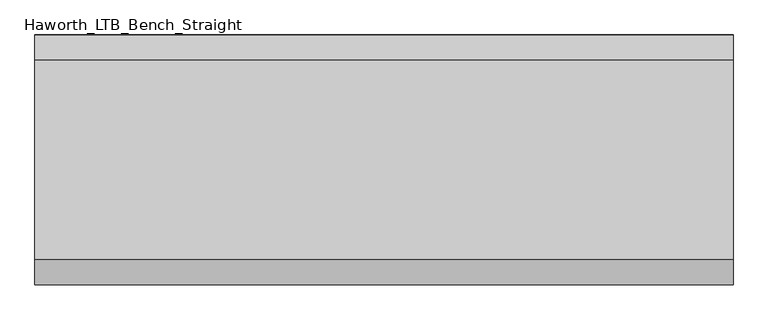
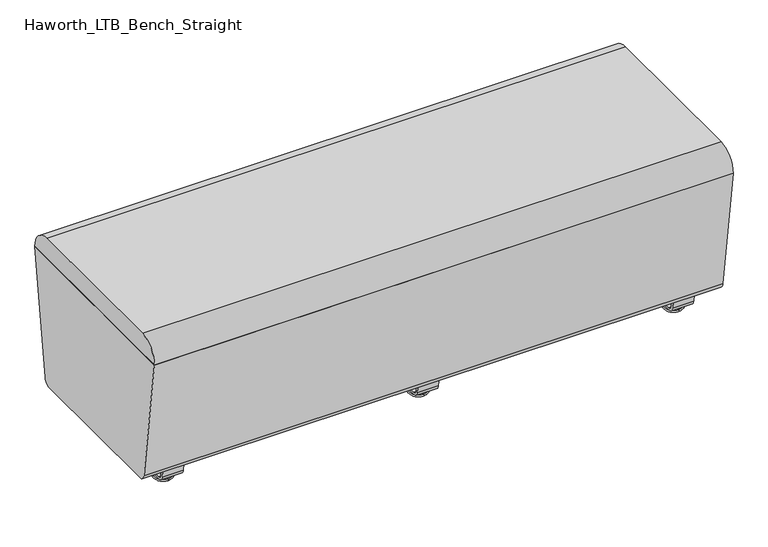
"""IFC4 building model written with IfcOpenShell, lengths in millimetres: furniture geometry, Haworth_LTB_Bench_Straight."""

from ifc_helpers import new_model, si_unit, point, frame, frame_2d, origin, place, context, project, spatial, polyline, circle_curve, ellipse_curve, trimmed, segment, composite_curve, outline, extrude, source, transform, mapped, element, save
from ifc_brep_helpers import plane_surface, cylinder_surface, revolved_surface, advanced_brep


def haworth_ltb_bench_straight_633893b7(model_context):
    return source(origin(), model_context, "Body", "SolidModel", [
        advanced_brep(
        [(0.0, -134.8425052, 7.8133431), (0.0, -150.8355515, 7.8133431), (0.0, -147.6015284, 7.8133431), (0.0, -138.0765284, 7.8133431), (0.0, -120.9001513, 4.0775), (0.0, -164.7779054, 4.0775), (0.0, -121.3107026, 0.0), (0.0, -164.3673542, 0.0), (0.0, -142.8390284, 0.0), (0.0, -138.0765284, 50.0000004), (0.0, -147.6015284, 50.0000004), (0.0, -142.8390284, 50.0000004)],
        [
            (0, 1, circle_curve(frame((0.0, -142.8390284, 7.8133431), z_axis=(0.0, 0.0, 1.0), x_axis=(0.0, -1.0, 0.0)), 7.9965232)),
            (1, 2),
            (2, 3, circle_curve(frame((0.0, -142.8390284, 7.8133431), z_axis=(0.0, 0.0, -1.0), x_axis=(0.0, -1.0, 0.0)), 4.7625)),
            (3, 0),
            (1, 0, circle_curve(frame((0.0, -142.8390284, 7.8133431), z_axis=(0.0, 0.0, 1.0), x_axis=(0.0, -1.0, 0.0)), 7.9965232)),
            (3, 2, circle_curve(frame((0.0, -142.8390284, 7.8133431), z_axis=(0.0, 0.0, -1.0), x_axis=(0.0, -1.0, 0.0)), 4.7625)),
            (4, 5, circle_curve(frame((0.0, -142.8390284, 4.0775), z_axis=(0.0, 0.0, 1.0), x_axis=(0.0, -1.0, 0.0)), 21.9388771)),
            (5, 1),
            (0, 4),
            (5, 4, circle_curve(frame((0.0, -142.8390284, 4.0775), z_axis=(0.0, 0.0, 1.0), x_axis=(0.0, -1.0, 0.0)), 21.9388771)),
            (6, 7, circle_curve(frame((0.0, -142.8390284, 0.0), z_axis=(0.0, 0.0, 1.0), x_axis=(0.0, -1.0, 0.0)), 21.5283258)),
            (7, 5, circle_curve(frame((0.0, -164.2405822, 2.0721829), z_axis=(-1.0, 0.0, 0.0), x_axis=(0.0, 1.0, 0.0)), 2.0760571)),
            (4, 6, circle_curve(frame((0.0, -121.4374745, 2.0721829), z_axis=(-1.0, 0.0, 0.0), x_axis=(0.0, -1.0, 0.0)), 2.0760571)),
            (7, 6, circle_curve(frame((0.0, -142.8390284, 0.0), z_axis=(0.0, 0.0, 1.0), x_axis=(0.0, -1.0, 0.0)), 21.5283258)),
            (8, 7),
            (6, 8),
            (9, 10, circle_curve(frame((0.0, -142.8390284, 50.0000004), z_axis=(0.0, 0.0, 1.0), x_axis=(0.0, -1.0, 0.0)), 4.7625)),
            (10, 11),
            (11, 9),
            (10, 9, circle_curve(frame((0.0, -142.8390284, 50.0000004), z_axis=(0.0, 0.0, 1.0), x_axis=(0.0, -1.0, 0.0)), 4.7625)),
            (2, 10),
            (9, 3),
        ],
        [
            plane_surface(frame((0.0, -142.8390284, 7.8133431), z_axis=(0.0, 0.0, 1.0), x_axis=(0.0, -1.0, 0.0))),
            revolved_surface(polyline([(0.0, -150.8355515, 7.8133431), (0.0, -164.7779054, 4.0775)]), (0.0, -142.8390284, 0.0), (0.0, 0.0, -1.0)),
            revolved_surface(trimmed(ellipse_curve(frame((0.0, -164.2405822, 2.0721829), z_axis=(1.0, 0.0, 0.0), x_axis=(0.0, 1.0, 0.0)), 2.0760571, 2.0760571), [point((0.0, -164.7779054, 4.0775))], [point((0.0, -164.3673542, 0.0))], True, "CARTESIAN"), (0.0, -142.8390284, 0.0), (0.0, 0.0, -1.0)),
            plane_surface(frame((0.0, -142.8390284, 0.0), z_axis=(0.0, 0.0, -1.0), x_axis=(0.0, -1.0, 0.0))),
            plane_surface(frame((0.0, -142.8390284, 50.0000004), z_axis=(0.0, 0.0, 1.0), x_axis=(0.0, -1.0, 0.0))),
            cylinder_surface(frame((0.0, -142.8390284, 0.0), z_axis=(0.0, 0.0, -1.0), x_axis=(0.0, -1.0, 0.0)), 4.7625),
        ],
        [
            (0, [[1, 2, 3, 4]]),
            (0, [[5, -4, 6, -2]]),
            (1, [[7, 8, -1, 9]]),
            (1, [[10, -9, -5, -8]]),
            (2, [[11, 12, -7, 13]]),
            (2, [[14, -13, -10, -12]]),
            (3, [[15, -11, 16]]),
            (3, [[-16, -14, -15]]),
            (4, [[17, 18, 19]]),
            (4, [[20, -19, -18]]),
            (5, [[-3, 21, -17, 22]]),
            (5, [[-6, -22, -20, -21]]),
        ],
    ),
        advanced_brep(
        [(0.0, 138.0765284, 7.8133431), (0.0, 147.6015284, 7.8133431), (0.0, 150.8355515, 7.8133431), (0.0, 134.8425052, 7.8133431), (0.0, 164.7779054, 4.0775), (0.0, 120.9001513, 4.0775), (0.0, 164.3673542, 0.0), (0.0, 121.3107026, 0.0), (0.0, 142.8390284, 0.0), (0.0, 142.8390284, 50.0000004), (0.0, 147.6015284, 50.0000004), (0.0, 138.0765284, 50.0000004)],
        [
            (0, 1, circle_curve(frame((0.0, 142.8390284, 7.8133431), z_axis=(0.0, 0.0, -1.0), x_axis=(0.0, 1.0, 0.0)), 4.7625)),
            (1, 2),
            (2, 3, circle_curve(frame((0.0, 142.8390284, 7.8133431), z_axis=(0.0, 0.0, 1.0), x_axis=(0.0, 1.0, 0.0)), 7.9965232)),
            (3, 0),
            (1, 0, circle_curve(frame((0.0, 142.8390284, 7.8133431), z_axis=(0.0, 0.0, -1.0), x_axis=(0.0, 1.0, 0.0)), 4.7625)),
            (3, 2, circle_curve(frame((0.0, 142.8390284, 7.8133431), z_axis=(0.0, 0.0, 1.0), x_axis=(0.0, 1.0, 0.0)), 7.9965232)),
            (2, 4),
            (4, 5, circle_curve(frame((0.0, 142.8390284, 4.0775), z_axis=(0.0, 0.0, 1.0), x_axis=(0.0, 1.0, 0.0)), 21.9388771)),
            (5, 3),
            (5, 4, circle_curve(frame((0.0, 142.8390284, 4.0775), z_axis=(0.0, 0.0, 1.0), x_axis=(0.0, 1.0, 0.0)), 21.9388771)),
            (4, 6, circle_curve(frame((0.0, 164.2405822, 2.0721829), z_axis=(-1.0, 0.0, 0.0), x_axis=(0.0, -1.0, 0.0)), 2.0760571)),
            (6, 7, circle_curve(frame((0.0, 142.8390284, 0.0), z_axis=(0.0, 0.0, 1.0), x_axis=(0.0, 1.0, 0.0)), 21.5283258)),
            (7, 5, circle_curve(frame((0.0, 121.4374745, 2.0721829), z_axis=(-1.0, 0.0, 0.0), x_axis=(0.0, 1.0, 0.0)), 2.0760571)),
            (7, 6, circle_curve(frame((0.0, 142.8390284, 0.0), z_axis=(0.0, 0.0, 1.0), x_axis=(0.0, 1.0, 0.0)), 21.5283258)),
            (6, 8),
            (8, 7),
            (9, 10),
            (10, 11, circle_curve(frame((0.0, 142.8390284, 50.0000004), z_axis=(0.0, 0.0, 1.0), x_axis=(0.0, 1.0, 0.0)), 4.7625)),
            (11, 9),
            (11, 10, circle_curve(frame((0.0, 142.8390284, 50.0000004), z_axis=(0.0, 0.0, 1.0), x_axis=(0.0, 1.0, 0.0)), 4.7625)),
            (10, 1),
            (0, 11),
        ],
        [
            plane_surface(frame((0.0, 142.8390284, 7.8133431), z_axis=(0.0, 0.0, 1.0), x_axis=(0.0, 1.0, 0.0))),
            revolved_surface(polyline([(0.0, 164.7779054, 4.0775), (0.0, 150.8355515, 7.8133431)]), (0.0, 142.8390284, 0.0), (0.0, 0.0, 1.0)),
            revolved_surface(trimmed(ellipse_curve(frame((0.0, 164.2405822, 2.0721829), z_axis=(1.0, 0.0, 0.0), x_axis=(0.0, -1.0, 0.0)), 2.0760571, 2.0760571), [point((0.0, 164.3673542, 0.0))], [point((0.0, 164.7779054, 4.0775))], True, "CARTESIAN"), (0.0, 142.8390284, 0.0), (0.0, 0.0, 1.0)),
            plane_surface(frame((0.0, 142.8390284, 0.0), z_axis=(0.0, 0.0, -1.0), x_axis=(0.0, 1.0, 0.0))),
            plane_surface(frame((0.0, 142.8390284, 50.0000004), z_axis=(0.0, 0.0, 1.0), x_axis=(0.0, 1.0, 0.0))),
            cylinder_surface(frame((0.0, 142.8390284, 0.0), z_axis=(0.0, 0.0, 1.0), x_axis=(0.0, 1.0, 0.0)), 4.7625),
        ],
        [
            (0, [[1, 2, 3, 4]]),
            (0, [[5, -4, 6, -2]]),
            (1, [[-3, 7, 8, 9]]),
            (1, [[-6, -9, 10, -7]]),
            (2, [[-8, 11, 12, 13]]),
            (2, [[-10, -13, 14, -11]]),
            (3, [[-12, 15, 16]]),
            (3, [[-14, -16, -15]]),
            (4, [[17, 18, 19]]),
            (4, [[-19, 20, -17]]),
            (5, [[-18, 21, -1, 22]]),
            (5, [[-20, -22, -5, -21]]),
        ],
    ),
        extrude(outline(composite_curve([segment(polyline([(188.6158944, 62.9950557), (183.6853496, 27.9124042)]), True, "CONTINUOUS"), segment(trimmed(circle_curve(frame_2d((168.8313276, 30.0000007)), 15.000001), [point((183.6853496, 27.9124042))], [point((168.8313276, 14.9999997))], False, "CARTESIAN"), True, "CONTINUOUS"), segment(polyline([(168.8313276, 14.9999997), (-168.8313276, 14.9999997)]), True, "CONTINUOUS"), segment(trimmed(circle_curve(frame_2d((-168.8313276, 30.0000007)), 15.000001), [point((-168.8313276, 14.9999997))], [point((-183.6853496, 27.9124042))], False, "CARTESIAN"), True, "CONTINUOUS"), segment(polyline([(-183.6853496, 27.9124042), (-188.6158944, 62.9950557), (-182.9812615, 63.7869505), (-178.0507241, 28.7043023)]), True, "CONTINUOUS"), segment(trimmed(circle_curve(frame_2d((-168.8313262, 30.0000023)), 9.310002), [point((-178.0507241, 28.7043023))], [point((-168.8313262, 20.6900003))], True, "CARTESIAN"), True, "CONTINUOUS"), segment(polyline([(-168.8313262, 20.6900003), (168.8313262, 20.6900003)]), True, "CONTINUOUS"), segment(trimmed(circle_curve(frame_2d((168.8313262, 30.0000023)), 9.310002), [point((168.8313262, 20.6900003))], [point((178.0507241, 28.7043023))], True, "CARTESIAN"), True, "CONTINUOUS"), segment(polyline([(178.0507241, 28.7043023), (182.9812615, 63.7869505), (188.6158944, 62.9950557)]), True, "CONTINUOUS")], self_intersect=False)), frame((-25.4, 0.0, 0.0), z_axis=(1.0, 0.0, 0.0), x_axis=(0.0, 1.0, 0.0)), (0.0, 0.0, 1.0), 50.8),
        advanced_brep(
        [(616.0045358, -134.8425052, 7.8133431), (616.0045358, -150.8355515, 7.8133431), (616.0045358, -147.6015284, 7.8133431), (616.0045358, -138.0765284, 7.8133431), (616.0045358, -120.9001513, 4.0775), (616.0045358, -164.7779054, 4.0775), (616.0045358, -121.3107026, 0.0), (616.0045358, -164.3673542, 0.0), (616.0045358, -142.8390284, 0.0), (616.0045358, -138.0765284, 50.0000004), (616.0045358, -147.6015284, 50.0000004), (616.0045358, -142.8390284, 50.0000004)],
        [
            (0, 1, circle_curve(frame((616.0045358, -142.8390284, 7.8133431), z_axis=(0.0, 0.0, 1.0), x_axis=(0.0, -1.0, 0.0)), 7.9965232)),
            (1, 2),
            (2, 3, circle_curve(frame((616.0045358, -142.8390284, 7.8133431), z_axis=(0.0, 0.0, -1.0), x_axis=(0.0, -1.0, 0.0)), 4.7625)),
            (3, 0),
            (1, 0, circle_curve(frame((616.0045358, -142.8390284, 7.8133431), z_axis=(0.0, 0.0, 1.0), x_axis=(0.0, -1.0, 0.0)), 7.9965232)),
            (3, 2, circle_curve(frame((616.0045358, -142.8390284, 7.8133431), z_axis=(0.0, 0.0, -1.0), x_axis=(0.0, -1.0, 0.0)), 4.7625)),
            (4, 5, circle_curve(frame((616.0045358, -142.8390284, 4.0775), z_axis=(0.0, 0.0, 1.0), x_axis=(0.0, -1.0, 0.0)), 21.9388771)),
            (5, 1),
            (0, 4),
            (5, 4, circle_curve(frame((616.0045358, -142.8390284, 4.0775), z_axis=(0.0, 0.0, 1.0), x_axis=(0.0, -1.0, 0.0)), 21.9388771)),
            (6, 7, circle_curve(frame((616.0045358, -142.8390284, 0.0), z_axis=(0.0, 0.0, 1.0), x_axis=(0.0, -1.0, 0.0)), 21.5283258)),
            (7, 5, circle_curve(frame((616.0045358, -164.2405822, 2.0721829), z_axis=(-1.0, 0.0, 0.0), x_axis=(0.0, 1.0, 0.0)), 2.0760571)),
            (4, 6, circle_curve(frame((616.0045358, -121.4374745, 2.0721829), z_axis=(-1.0, 0.0, 0.0), x_axis=(0.0, -1.0, 0.0)), 2.0760571)),
            (7, 6, circle_curve(frame((616.0045358, -142.8390284, 0.0), z_axis=(0.0, 0.0, 1.0), x_axis=(0.0, -1.0, 0.0)), 21.5283258)),
            (8, 7),
            (6, 8),
            (9, 10, circle_curve(frame((616.0045358, -142.8390284, 50.0000004), z_axis=(0.0, 0.0, 1.0), x_axis=(0.0, -1.0, 0.0)), 4.7625)),
            (10, 11),
            (11, 9),
            (10, 9, circle_curve(frame((616.0045358, -142.8390284, 50.0000004), z_axis=(0.0, 0.0, 1.0), x_axis=(0.0, -1.0, 0.0)), 4.7625)),
            (2, 10),
            (9, 3),
        ],
        [
            plane_surface(frame((616.0045358, -142.8390284, 7.8133431), z_axis=(0.0, 0.0, 1.0), x_axis=(0.0, -1.0, 0.0))),
            revolved_surface(polyline([(616.0045358, -150.8355515, 7.8133431), (616.0045358, -164.7779054, 4.0775)]), (616.0045358, -142.8390284, 0.0), (0.0, 0.0, -1.0)),
            revolved_surface(trimmed(ellipse_curve(frame((616.0045358, -164.2405822, 2.0721829), z_axis=(1.0, 0.0, 0.0), x_axis=(0.0, 1.0, 0.0)), 2.0760571, 2.0760571), [point((616.0045358, -164.7779054, 4.0775))], [point((616.0045358, -164.3673542, 0.0))], True, "CARTESIAN"), (616.0045358, -142.8390284, 0.0), (0.0, 0.0, -1.0)),
            plane_surface(frame((616.0045358, -142.8390284, 0.0), z_axis=(0.0, 0.0, -1.0), x_axis=(0.0, -1.0, 0.0))),
            plane_surface(frame((616.0045358, -142.8390284, 50.0000004), z_axis=(0.0, 0.0, 1.0), x_axis=(0.0, -1.0, 0.0))),
            cylinder_surface(frame((616.0045358, -142.8390284, 0.0), z_axis=(0.0, 0.0, -1.0), x_axis=(0.0, -1.0, 0.0)), 4.7625),
        ],
        [
            (0, [[1, 2, 3, 4]]),
            (0, [[5, -4, 6, -2]]),
            (1, [[7, 8, -1, 9]]),
            (1, [[10, -9, -5, -8]]),
            (2, [[11, 12, -7, 13]]),
            (2, [[14, -13, -10, -12]]),
            (3, [[15, -11, 16]]),
            (3, [[-16, -14, -15]]),
            (4, [[17, 18, 19]]),
            (4, [[20, -19, -18]]),
            (5, [[-3, 21, -17, 22]]),
            (5, [[-6, -22, -20, -21]]),
        ],
    ),
        advanced_brep(
        [(616.0045358, 138.0765284, 7.8133431), (616.0045358, 147.6015284, 7.8133431), (616.0045358, 150.8355515, 7.8133431), (616.0045358, 134.8425052, 7.8133431), (616.0045358, 164.7779054, 4.0775), (616.0045358, 120.9001513, 4.0775), (616.0045358, 164.3673542, 0.0), (616.0045358, 121.3107026, 0.0), (616.0045358, 142.8390284, 0.0), (616.0045358, 142.8390284, 50.0000004), (616.0045358, 147.6015284, 50.0000004), (616.0045358, 138.0765284, 50.0000004)],
        [
            (0, 1, circle_curve(frame((616.0045358, 142.8390284, 7.8133431), z_axis=(0.0, 0.0, -1.0), x_axis=(0.0, 1.0, 0.0)), 4.7625)),
            (1, 2),
            (2, 3, circle_curve(frame((616.0045358, 142.8390284, 7.8133431), z_axis=(0.0, 0.0, 1.0), x_axis=(0.0, 1.0, 0.0)), 7.9965232)),
            (3, 0),
            (1, 0, circle_curve(frame((616.0045358, 142.8390284, 7.8133431), z_axis=(0.0, 0.0, -1.0), x_axis=(0.0, 1.0, 0.0)), 4.7625)),
            (3, 2, circle_curve(frame((616.0045358, 142.8390284, 7.8133431), z_axis=(0.0, 0.0, 1.0), x_axis=(0.0, 1.0, 0.0)), 7.9965232)),
            (2, 4),
            (4, 5, circle_curve(frame((616.0045358, 142.8390284, 4.0775), z_axis=(0.0, 0.0, 1.0), x_axis=(0.0, 1.0, 0.0)), 21.9388771)),
            (5, 3),
            (5, 4, circle_curve(frame((616.0045358, 142.8390284, 4.0775), z_axis=(0.0, 0.0, 1.0), x_axis=(0.0, 1.0, 0.0)), 21.9388771)),
            (4, 6, circle_curve(frame((616.0045358, 164.2405822, 2.0721829), z_axis=(-1.0, 0.0, 0.0), x_axis=(0.0, -1.0, 0.0)), 2.0760571)),
            (6, 7, circle_curve(frame((616.0045358, 142.8390284, 0.0), z_axis=(0.0, 0.0, 1.0), x_axis=(0.0, 1.0, 0.0)), 21.5283258)),
            (7, 5, circle_curve(frame((616.0045358, 121.4374745, 2.0721829), z_axis=(-1.0, 0.0, 0.0), x_axis=(0.0, 1.0, 0.0)), 2.0760571)),
            (7, 6, circle_curve(frame((616.0045358, 142.8390284, 0.0), z_axis=(0.0, 0.0, 1.0), x_axis=(0.0, 1.0, 0.0)), 21.5283258)),
            (6, 8),
            (8, 7),
            (9, 10),
            (10, 11, circle_curve(frame((616.0045358, 142.8390284, 50.0000004), z_axis=(0.0, 0.0, 1.0), x_axis=(0.0, 1.0, 0.0)), 4.7625)),
            (11, 9),
            (11, 10, circle_curve(frame((616.0045358, 142.8390284, 50.0000004), z_axis=(0.0, 0.0, 1.0), x_axis=(0.0, 1.0, 0.0)), 4.7625)),
            (10, 1),
            (0, 11),
        ],
        [
            plane_surface(frame((616.0045358, 142.8390284, 7.8133431), z_axis=(0.0, 0.0, 1.0), x_axis=(0.0, 1.0, 0.0))),
            revolved_surface(polyline([(616.0045358, 164.7779054, 4.0775), (616.0045358, 150.8355515, 7.8133431)]), (616.0045358, 142.8390284, 0.0), (0.0, 0.0, 1.0)),
            revolved_surface(trimmed(ellipse_curve(frame((616.0045358, 164.2405822, 2.0721829), z_axis=(1.0, 0.0, 0.0), x_axis=(0.0, -1.0, 0.0)), 2.0760571, 2.0760571), [point((616.0045358, 164.3673542, 0.0))], [point((616.0045358, 164.7779054, 4.0775))], True, "CARTESIAN"), (616.0045358, 142.8390284, 0.0), (0.0, 0.0, 1.0)),
            plane_surface(frame((616.0045358, 142.8390284, 0.0), z_axis=(0.0, 0.0, -1.0), x_axis=(0.0, 1.0, 0.0))),
            plane_surface(frame((616.0045358, 142.8390284, 50.0000004), z_axis=(0.0, 0.0, 1.0), x_axis=(0.0, 1.0, 0.0))),
            cylinder_surface(frame((616.0045358, 142.8390284, 0.0), z_axis=(0.0, 0.0, 1.0), x_axis=(0.0, 1.0, 0.0)), 4.7625),
        ],
        [
            (0, [[1, 2, 3, 4]]),
            (0, [[5, -4, 6, -2]]),
            (1, [[-3, 7, 8, 9]]),
            (1, [[-6, -9, 10, -7]]),
            (2, [[-8, 11, 12, 13]]),
            (2, [[-10, -13, 14, -11]]),
            (3, [[-12, 15, 16]]),
            (3, [[-14, -16, -15]]),
            (4, [[17, 18, 19]]),
            (4, [[-19, 20, -17]]),
            (5, [[-18, 21, -1, 22]]),
            (5, [[-20, -22, -5, -21]]),
        ],
    ),
        extrude(outline(composite_curve([segment(polyline([(188.6158944, 62.9950557), (183.6853496, 27.9124042)]), True, "CONTINUOUS"), segment(trimmed(circle_curve(frame_2d((168.8313276, 30.0000007)), 15.000001), [point((183.6853496, 27.9124042))], [point((168.8313276, 14.9999997))], False, "CARTESIAN"), True, "CONTINUOUS"), segment(polyline([(168.8313276, 14.9999997), (-168.8313276, 14.9999997)]), True, "CONTINUOUS"), segment(trimmed(circle_curve(frame_2d((-168.8313276, 30.0000007)), 15.000001), [point((-168.8313276, 14.9999997))], [point((-183.6853496, 27.9124042))], False, "CARTESIAN"), True, "CONTINUOUS"), segment(polyline([(-183.6853496, 27.9124042), (-188.6158944, 62.9950557), (-182.9812615, 63.7869505), (-178.0507241, 28.7043023)]), True, "CONTINUOUS"), segment(trimmed(circle_curve(frame_2d((-168.8313262, 30.0000023)), 9.310002), [point((-178.0507241, 28.7043023))], [point((-168.8313262, 20.6900003))], True, "CARTESIAN"), True, "CONTINUOUS"), segment(polyline([(-168.8313262, 20.6900003), (168.8313262, 20.6900003)]), True, "CONTINUOUS"), segment(trimmed(circle_curve(frame_2d((168.8313262, 30.0000023)), 9.310002), [point((168.8313262, 20.6900003))], [point((178.0507241, 28.7043023))], True, "CARTESIAN"), True, "CONTINUOUS"), segment(polyline([(178.0507241, 28.7043023), (182.9812615, 63.7869505), (188.6158944, 62.9950557)]), True, "CONTINUOUS")], self_intersect=False)), frame((590.6045358, 0.0, 0.0), z_axis=(1.0, 0.0, 0.0), x_axis=(0.0, 1.0, 0.0)), (0.0, 0.0, 1.0), 50.8),
        advanced_brep(
        [(-616.0045358, -138.0765284, 7.8133431), (-616.0045358, -147.6015284, 7.8133431), (-616.0045358, -150.8355515, 7.8133431), (-616.0045358, -134.8425052, 7.8133431), (-616.0045358, -164.7779054, 4.0775), (-616.0045358, -120.9001513, 4.0775), (-616.0045358, -164.3673542, 0.0), (-616.0045358, -121.3107026, 0.0), (-616.0045358, -142.8390284, 0.0), (-616.0045358, -142.8390284, 50.0000004), (-616.0045358, -147.6015284, 50.0000004), (-616.0045358, -138.0765284, 50.0000004)],
        [
            (0, 1, circle_curve(frame((-616.0045358, -142.8390284, 7.8133431), z_axis=(0.0, 0.0, -1.0), x_axis=(0.0, -1.0, 0.0)), 4.7625)),
            (1, 2),
            (2, 3, circle_curve(frame((-616.0045358, -142.8390284, 7.8133431), z_axis=(0.0, 0.0, 1.0), x_axis=(0.0, -1.0, 0.0)), 7.9965232)),
            (3, 0),
            (1, 0, circle_curve(frame((-616.0045358, -142.8390284, 7.8133431), z_axis=(0.0, 0.0, -1.0), x_axis=(0.0, -1.0, 0.0)), 4.7625)),
            (3, 2, circle_curve(frame((-616.0045358, -142.8390284, 7.8133431), z_axis=(0.0, 0.0, 1.0), x_axis=(0.0, -1.0, 0.0)), 7.9965232)),
            (2, 4),
            (4, 5, circle_curve(frame((-616.0045358, -142.8390284, 4.0775), z_axis=(0.0, 0.0, 1.0), x_axis=(0.0, -1.0, 0.0)), 21.9388771)),
            (5, 3),
            (5, 4, circle_curve(frame((-616.0045358, -142.8390284, 4.0775), z_axis=(0.0, 0.0, 1.0), x_axis=(0.0, -1.0, 0.0)), 21.9388771)),
            (4, 6, circle_curve(frame((-616.0045358, -164.2405822, 2.0721829), z_axis=(1.0, 0.0, 0.0), x_axis=(0.0, 1.0, 0.0)), 2.0760571)),
            (6, 7, circle_curve(frame((-616.0045358, -142.8390284, 0.0), z_axis=(0.0, 0.0, 1.0), x_axis=(0.0, -1.0, 0.0)), 21.5283258)),
            (7, 5, circle_curve(frame((-616.0045358, -121.4374745, 2.0721829), z_axis=(1.0, 0.0, 0.0), x_axis=(0.0, -1.0, 0.0)), 2.0760571)),
            (7, 6, circle_curve(frame((-616.0045358, -142.8390284, 0.0), z_axis=(0.0, 0.0, 1.0), x_axis=(0.0, -1.0, 0.0)), 21.5283258)),
            (6, 8),
            (8, 7),
            (9, 10),
            (10, 11, circle_curve(frame((-616.0045358, -142.8390284, 50.0000004), z_axis=(0.0, 0.0, 1.0), x_axis=(0.0, -1.0, 0.0)), 4.7625)),
            (11, 9),
            (11, 10, circle_curve(frame((-616.0045358, -142.8390284, 50.0000004), z_axis=(0.0, 0.0, 1.0), x_axis=(0.0, -1.0, 0.0)), 4.7625)),
            (10, 1),
            (0, 11),
        ],
        [
            plane_surface(frame((-616.0045358, -142.8390284, 7.8133431), z_axis=(0.0, 0.0, 1.0), x_axis=(0.0, -1.0, 0.0))),
            revolved_surface(polyline([(-616.0045358, -164.7779054, 4.0775), (-616.0045358, -150.8355515, 7.8133431)]), (-616.0045358, -142.8390284, 0.0), (0.0, 0.0, 1.0)),
            revolved_surface(trimmed(ellipse_curve(frame((-616.0045358, -164.2405822, 2.0721829), z_axis=(-1.0, 0.0, 0.0), x_axis=(0.0, 1.0, 0.0)), 2.0760571, 2.0760571), [point((-616.0045358, -164.3673542, 0.0))], [point((-616.0045358, -164.7779054, 4.0775))], True, "CARTESIAN"), (-616.0045358, -142.8390284, 0.0), (0.0, 0.0, 1.0)),
            plane_surface(frame((-616.0045358, -142.8390284, 0.0), z_axis=(0.0, 0.0, -1.0), x_axis=(0.0, -1.0, 0.0))),
            plane_surface(frame((-616.0045358, -142.8390284, 50.0000004), z_axis=(0.0, 0.0, 1.0), x_axis=(0.0, -1.0, 0.0))),
            cylinder_surface(frame((-616.0045358, -142.8390284, 0.0), z_axis=(0.0, 0.0, 1.0), x_axis=(0.0, -1.0, 0.0)), 4.7625),
        ],
        [
            (0, [[1, 2, 3, 4]]),
            (0, [[5, -4, 6, -2]]),
            (1, [[-3, 7, 8, 9]]),
            (1, [[-6, -9, 10, -7]]),
            (2, [[-8, 11, 12, 13]]),
            (2, [[-10, -13, 14, -11]]),
            (3, [[-12, 15, 16]]),
            (3, [[-14, -16, -15]]),
            (4, [[17, 18, 19]]),
            (4, [[-19, 20, -17]]),
            (5, [[-18, 21, -1, 22]]),
            (5, [[-20, -22, -5, -21]]),
        ],
    ),
        advanced_brep(
        [(-616.0045358, 134.8425052, 7.8133431), (-616.0045358, 150.8355515, 7.8133431), (-616.0045358, 147.6015284, 7.8133431), (-616.0045358, 138.0765284, 7.8133431), (-616.0045358, 120.9001513, 4.0775), (-616.0045358, 164.7779054, 4.0775), (-616.0045358, 121.3107026, 0.0), (-616.0045358, 164.3673542, 0.0), (-616.0045358, 142.8390284, 0.0), (-616.0045358, 138.0765284, 50.0000004), (-616.0045358, 147.6015284, 50.0000004), (-616.0045358, 142.8390284, 50.0000004)],
        [
            (0, 1, circle_curve(frame((-616.0045358, 142.8390284, 7.8133431), z_axis=(0.0, 0.0, 1.0), x_axis=(0.0, 1.0, 0.0)), 7.9965232)),
            (1, 2),
            (2, 3, circle_curve(frame((-616.0045358, 142.8390284, 7.8133431), z_axis=(0.0, 0.0, -1.0), x_axis=(0.0, 1.0, 0.0)), 4.7625)),
            (3, 0),
            (1, 0, circle_curve(frame((-616.0045358, 142.8390284, 7.8133431), z_axis=(0.0, 0.0, 1.0), x_axis=(0.0, 1.0, 0.0)), 7.9965232)),
            (3, 2, circle_curve(frame((-616.0045358, 142.8390284, 7.8133431), z_axis=(0.0, 0.0, -1.0), x_axis=(0.0, 1.0, 0.0)), 4.7625)),
            (4, 5, circle_curve(frame((-616.0045358, 142.8390284, 4.0775), z_axis=(0.0, 0.0, 1.0), x_axis=(0.0, 1.0, 0.0)), 21.9388771)),
            (5, 1),
            (0, 4),
            (5, 4, circle_curve(frame((-616.0045358, 142.8390284, 4.0775), z_axis=(0.0, 0.0, 1.0), x_axis=(0.0, 1.0, 0.0)), 21.9388771)),
            (6, 7, circle_curve(frame((-616.0045358, 142.8390284, 0.0), z_axis=(0.0, 0.0, 1.0), x_axis=(0.0, 1.0, 0.0)), 21.5283258)),
            (7, 5, circle_curve(frame((-616.0045358, 164.2405822, 2.0721829), z_axis=(1.0, 0.0, 0.0), x_axis=(0.0, -1.0, 0.0)), 2.0760571)),
            (4, 6, circle_curve(frame((-616.0045358, 121.4374745, 2.0721829), z_axis=(1.0, 0.0, 0.0), x_axis=(0.0, 1.0, 0.0)), 2.0760571)),
            (7, 6, circle_curve(frame((-616.0045358, 142.8390284, 0.0), z_axis=(0.0, 0.0, 1.0), x_axis=(0.0, 1.0, 0.0)), 21.5283258)),
            (8, 7),
            (6, 8),
            (9, 10, circle_curve(frame((-616.0045358, 142.8390284, 50.0000004), z_axis=(0.0, 0.0, 1.0), x_axis=(0.0, 1.0, 0.0)), 4.7625)),
            (10, 11),
            (11, 9),
            (10, 9, circle_curve(frame((-616.0045358, 142.8390284, 50.0000004), z_axis=(0.0, 0.0, 1.0), x_axis=(0.0, 1.0, 0.0)), 4.7625)),
            (2, 10),
            (9, 3),
        ],
        [
            plane_surface(frame((-616.0045358, 142.8390284, 7.8133431), z_axis=(0.0, 0.0, 1.0), x_axis=(0.0, 1.0, 0.0))),
            revolved_surface(polyline([(-616.0045358, 150.8355515, 7.8133431), (-616.0045358, 164.7779054, 4.0775)]), (-616.0045358, 142.8390284, 0.0), (0.0, 0.0, -1.0)),
            revolved_surface(trimmed(ellipse_curve(frame((-616.0045358, 164.2405822, 2.0721829), z_axis=(-1.0, 0.0, 0.0), x_axis=(0.0, -1.0, 0.0)), 2.0760571, 2.0760571), [point((-616.0045358, 164.7779054, 4.0775))], [point((-616.0045358, 164.3673542, 0.0))], True, "CARTESIAN"), (-616.0045358, 142.8390284, 0.0), (0.0, 0.0, -1.0)),
            plane_surface(frame((-616.0045358, 142.8390284, 0.0), z_axis=(0.0, 0.0, -1.0), x_axis=(0.0, 1.0, 0.0))),
            plane_surface(frame((-616.0045358, 142.8390284, 50.0000004), z_axis=(0.0, 0.0, 1.0), x_axis=(0.0, 1.0, 0.0))),
            cylinder_surface(frame((-616.0045358, 142.8390284, 0.0), z_axis=(0.0, 0.0, -1.0), x_axis=(0.0, 1.0, 0.0)), 4.7625),
        ],
        [
            (0, [[1, 2, 3, 4]]),
            (0, [[5, -4, 6, -2]]),
            (1, [[7, 8, -1, 9]]),
            (1, [[10, -9, -5, -8]]),
            (2, [[11, 12, -7, 13]]),
            (2, [[14, -13, -10, -12]]),
            (3, [[15, -11, 16]]),
            (3, [[-16, -14, -15]]),
            (4, [[17, 18, 19]]),
            (4, [[20, -19, -18]]),
            (5, [[-3, 21, -17, 22]]),
            (5, [[-6, -22, -20, -21]]),
        ],
    ),
        extrude(outline(composite_curve([segment(polyline([(188.6158944, 62.9950557), (183.6853496, 27.9124042)]), True, "CONTINUOUS"), segment(trimmed(circle_curve(frame_2d((168.8313276, 30.0000007)), 15.000001), [point((183.6853496, 27.9124042))], [point((168.8313276, 14.9999997))], False, "CARTESIAN"), True, "CONTINUOUS"), segment(polyline([(168.8313276, 14.9999997), (-168.8313276, 14.9999997)]), True, "CONTINUOUS"), segment(trimmed(circle_curve(frame_2d((-168.8313276, 30.0000007)), 15.000001), [point((-168.8313276, 14.9999997))], [point((-183.6853496, 27.9124042))], False, "CARTESIAN"), True, "CONTINUOUS"), segment(polyline([(-183.6853496, 27.9124042), (-188.6158944, 62.9950557), (-182.9812615, 63.7869505), (-178.0507241, 28.7043023)]), True, "CONTINUOUS"), segment(trimmed(circle_curve(frame_2d((-168.8313262, 30.0000023)), 9.310002), [point((-178.0507241, 28.7043023))], [point((-168.8313262, 20.6900003))], True, "CARTESIAN"), True, "CONTINUOUS"), segment(polyline([(-168.8313262, 20.6900003), (168.8313262, 20.6900003)]), True, "CONTINUOUS"), segment(trimmed(circle_curve(frame_2d((168.8313262, 30.0000023)), 9.310002), [point((168.8313262, 20.6900003))], [point((178.0507241, 28.7043023))], True, "CARTESIAN"), True, "CONTINUOUS"), segment(polyline([(178.0507241, 28.7043023), (182.9812615, 63.7869505), (188.6158944, 62.9950557)]), True, "CONTINUOUS")], self_intersect=False)), frame((-641.4045358, 0.0, 0.0), z_axis=(1.0, 0.0, 0.0), x_axis=(0.0, 1.0, 0.0)), (0.0, 0.0, 1.0), 50.8),
        extrude(outline(composite_curve([segment(trimmed(circle_curve(frame_2d((187.8390314, 68.9999996)), 18.9999992), [point((206.6541239, 66.3557108))], [point((187.8390314, 50.0000004))], False, "CARTESIAN"), True, "CONTINUOUS"), segment(polyline([(187.8390314, 50.0000004), (-187.8390314, 50.0000004)]), True, "CONTINUOUS"), segment(trimmed(circle_curve(frame_2d((-187.8390314, 68.9999996)), 18.9999992), [point((-187.8390314, 50.0000004))], [point((-206.6541239, 66.3557108))], False, "CARTESIAN"), True, "CONTINUOUS"), segment(polyline([(-206.6541239, 66.3557108), (-249.9820603, 374.65), (249.9820603, 374.65), (206.6541239, 66.3557108)]), True, "CONTINUOUS")], self_intersect=False)), frame((-698.5, 0.0, 0.0), z_axis=(1.0, 0.0, 0.0), x_axis=(0.0, 1.0, 0.0)), (0.0, 0.0, 1.0), 1397.0),
        extrude(outline(composite_curve([segment(trimmed(circle_curve(frame_2d((200.0364582, 375.0527774)), 49.9472261), [point((200.0364582, 425.0000035))], [point((249.9820603, 374.65))], False, "CARTESIAN"), True, "CONTINUOUS"), segment(polyline([(249.9820603, 374.65), (-249.9820603, 374.65)]), True, "CONTINUOUS"), segment(trimmed(circle_curve(frame_2d((-200.0364582, 375.0527774)), 49.9472261), [point((-249.9820603, 374.65))], [point((-200.0364582, 425.0000035))], False, "CARTESIAN"), True, "CONTINUOUS"), segment(polyline([(-200.0364582, 425.0000035), (200.0364582, 425.0000035)]), True, "CONTINUOUS")], self_intersect=False)), frame((-698.5, 0.0, 0.0), z_axis=(1.0, 0.0, 0.0), x_axis=(0.0, 1.0, 0.0)), (0.0, 0.0, 1.0), 1397.0),
    ])


if __name__ == "__main__":
    model = new_model("IFC4")
    model_context = context("Model", 3, world=origin())
    ifc_project = project(units=[si_unit("LENGTHUNIT", "METRE", prefix="MILLI")], contexts=[model_context])
    site = spatial("IfcSite", under=ifc_project)
    building = spatial("IfcBuilding", under=site)
    placement = place(None, origin())
    haworth_ltb_bench_straight_shape = haworth_ltb_bench_straight_633893b7(model_context)
    element("IfcFurniture", 1, ObjectType="Haworth_LTB_Bench_Straight", at=placement, inside=building, context=model_context, shape_type="MappedRepresentation", body=[
        mapped(haworth_ltb_bench_straight_shape, transform((0.0, 0.0, 0.0), x_axis=(1.0, 0.0, 0.0), y_axis=(0.0, 1.0, 0.0), z_axis=(0.0, 0.0, 1.0))),
    ])
    save(model, "model.ifc")
